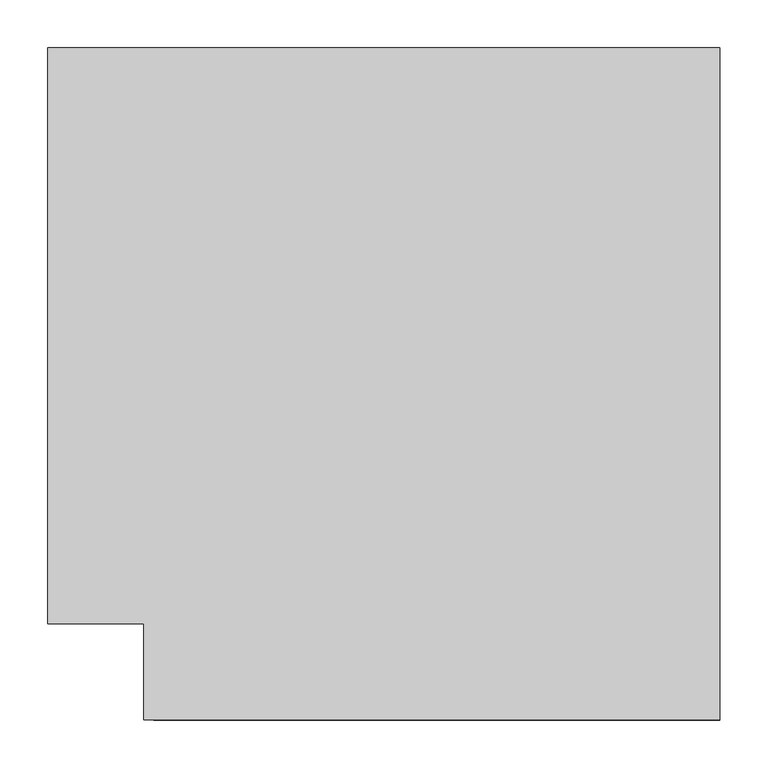
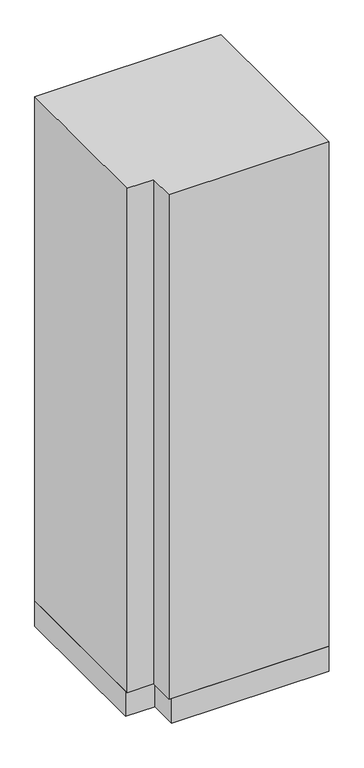
"""IFC4 building model written with IfcOpenShell, lengths in millimetres: proxy geometry."""

from ifc_helpers import new_model, si_unit, frame, origin, origin_with_axes, place, context, project, spatial, polyline, outline, extrude, source, transform, mapped, element, save


def electrical_fixtures_4de4f1e9(model_context):
    return source(origin(), model_context, "Body", "SweptSolid", [
        extrude(outline(polyline([(0.0, 0.0), (0.0, 600.0), (700.0, 600.0), (700.0, -100.0), (100.0, -100.0), (100.0, 0.0), (0.0, 0.0)])), frame((0.0, 0.0, 100.0), z_axis=(0.0, 0.0, 1.0), x_axis=(1.0, 0.0, 0.0)), (0.0, 0.0, 1.0), 2000.0),
        extrude(outline(polyline([(0.0, 10.0), (0.0, 600.0), (700.0, 600.0), (700.0, -100.0), (110.0, -100.0), (110.0, 10.0), (0.0, 10.0)])), origin_with_axes(), (0.0, 0.0, 1.0), 100.0),
    ])


if __name__ == "__main__":
    model = new_model("IFC4")
    model_context = context("Model", 3, world=origin())
    ifc_project = project(units=[si_unit("LENGTHUNIT", "METRE", prefix="MILLI")], contexts=[model_context])
    site = spatial("IfcSite", under=ifc_project)
    building = spatial("IfcBuilding", under=site)
    placement = place(None, origin())
    electrical_fixtures_shape = electrical_fixtures_4de4f1e9(model_context)
    element("IfcBuildingElementProxy", 1, Name="Electrical Fixtures", at=placement, inside=building, context=model_context, shape_type="MappedRepresentation", body=[
        mapped(electrical_fixtures_shape, transform((0.0, 0.0, 0.0), x_axis=(1.0, 0.0, 0.0), y_axis=(0.0, 1.0, 0.0), z_axis=(0.0, 0.0, 1.0))),
    ])
    save(model, "model.ifc")
